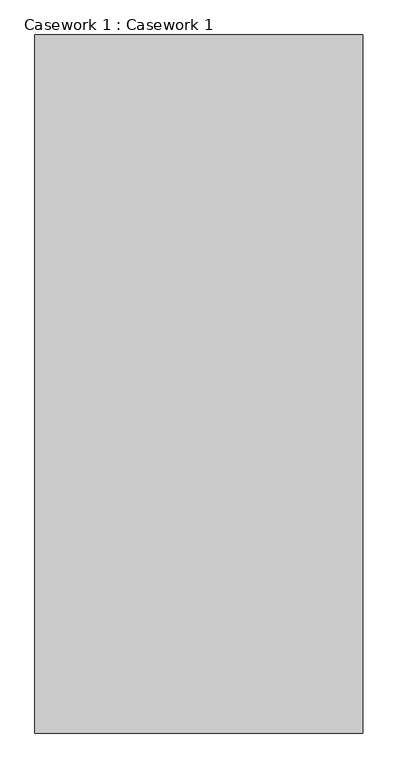
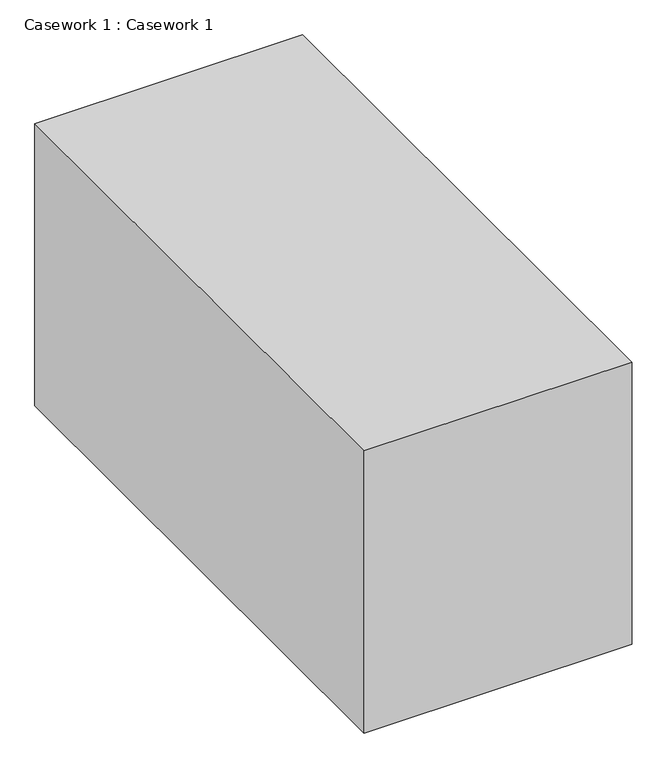
"""IFC4 building model written with IfcOpenShell, lengths in millimetres: furniture geometry, Casework 1 : Casework 1."""

from ifc_helpers import new_model, si_unit, origin, origin_with_axes, place, context, project, spatial, polyline, outline, extrude, source, transform, mapped, element, save


def casework_1_casework_1_6d1e3b1a(model_context):
    return source(origin(), model_context, "Body", "SweptSolid", [
        extrude(outline(polyline([(-2498.2774744, 7084.091663), (-2498.2774744, 5407.691663), (-3285.6774744, 5407.691663), (-3285.6774744, 7084.091663), (-2498.2774744, 7084.091663)])), origin_with_axes(), (0.0, 0.0, 1.0), 876.3),
    ])


if __name__ == "__main__":
    model = new_model("IFC4")
    model_context = context("Model", 3, world=origin())
    ifc_project = project(units=[si_unit("LENGTHUNIT", "METRE", prefix="MILLI")], contexts=[model_context])
    site = spatial("IfcSite", under=ifc_project)
    building = spatial("IfcBuilding", under=site)
    placement = place(None, origin())
    casework_1_casework_1_shape = casework_1_casework_1_6d1e3b1a(model_context)
    element("IfcFurniture", 1, ObjectType="Casework 1 : Casework 1", at=placement, inside=building, context=model_context, shape_type="MappedRepresentation", body=[
        mapped(casework_1_casework_1_shape, transform((0.0, 0.0, 0.0), x_axis=(1.0, 0.0, 0.0), y_axis=(0.0, 1.0, 0.0), z_axis=(0.0, 0.0, 1.0))),
    ])
    save(model, "model.ifc")
